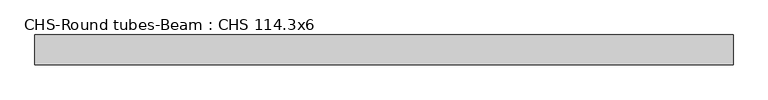
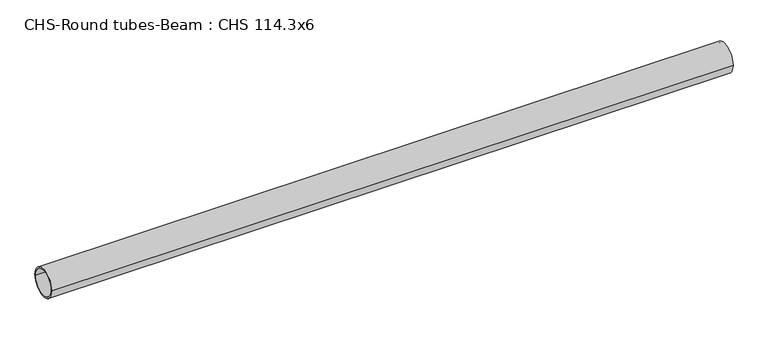
"""IFC4 building model written with IfcOpenShell, lengths in millimetres: beam geometry, CHS-Round tubes-Beam : CHS 114.3x6."""

import ifcopenshell
import ifcopenshell.guid

model = None  # the IFC model being written
_history = None  # IfcOwnerHistory: only IFC2X3 demands one
_inside = {}  # id of a spatial element -> (the spatial element, [elements in it])
_under = {}  # id of a project, library or spatial element -> (it, [spatial elements below it])
_declared = {}  # id of a project -> (the project, [libraries it declares])
_typed = {}  # id of a type object -> (the type object, [elements of that type])
_made_of = {}  # id of a material, layer set ... -> (it, [elements and type objects made of it])


def new_model(schema):
    """Start an empty IFC model of exactly this schema.

    Asked for "IFC4X3", IfcOpenShell would pick the latest addendum, in which some entities
    have other attributes; the version numbers below select the first issue.
    IFC2X3 requires an IfcOwnerHistory on every rooted entity: one is made here for all.
    """
    global model, _history
    if schema == "IFC4X3":
        model = ifcopenshell.file(schema_version=(4, 3, 0, 0))
    else:
        model = ifcopenshell.file(schema=schema)
    _inside.clear()
    _under.clear()
    _declared.clear()
    _typed.clear()
    _made_of.clear()
    _history = None
    if model.schema == "IFC2X3":
        org = make("IfcOrganization", Name="unknown")
        user = make(
            "IfcPersonAndOrganization",
            ThePerson=make("IfcPerson", FamilyName="unknown"),
            TheOrganization=org,
        )
        app = make(
            "IfcApplication",
            ApplicationDeveloper=org,
            Version="unknown",
            ApplicationFullName="unknown",
            ApplicationIdentifier="unknown",
        )
        _history = make(
            "IfcOwnerHistory",
            OwningUser=user,
            OwningApplication=app,
            ChangeAction="ADDED",
            CreationDate=0,
        )
    return model


def make(cls, **values):
    """One entity of the class cls with the attributes given. An attribute that is None is left unset."""
    return model.create_entity(
        cls, **{name: value for name, value in values.items() if value is not None}
    )


def rooted(cls, **values):
    """An entity with a GlobalId (a new one), such as an element, a storey or a relation."""
    return make(cls, GlobalId=ifcopenshell.guid.new(), OwnerHistory=_history, **values)


def si_unit(unit_type, name, prefix=None):
    """IfcSIUnit, for example si_unit("LENGTHUNIT", "METRE", prefix="MILLI")."""
    return make("IfcSIUnit", UnitType=unit_type, Prefix=prefix, Name=name)


def assignment(units):
    """IfcUnitAssignment: the units of a project."""
    return None if units is None else make("IfcUnitAssignment", Units=units)


def point(xyz):
    """IfcCartesianPoint."""
    return None if xyz is None else make("IfcCartesianPoint", Coordinates=xyz)


def direction(xyz):
    """IfcDirection."""
    return None if xyz is None else make("IfcDirection", DirectionRatios=xyz)


def frame(location, z_axis=None, x_axis=None):
    """IfcAxis2Placement3D, a coordinate frame: its origin and axes. An axis left out is left unset."""
    return make(
        "IfcAxis2Placement3D",
        Location=point(location),
        Axis=direction(z_axis),
        RefDirection=direction(x_axis),
    )


def frame_2d(location, x_axis=None):
    """IfcAxis2Placement2D, a coordinate frame in the plane: its origin and x axis."""
    return make(
        "IfcAxis2Placement2D", Location=point(location), RefDirection=direction(x_axis)
    )


def origin():
    """The frame at (0, 0, 0) with its axes left unset."""
    return frame((0.0, 0.0, 0.0))


def origin_2d():
    """The frame at (0, 0) in the plane with its x axis left unset."""
    return frame_2d((0.0, 0.0))


def place(relative_to, where):
    """IfcLocalPlacement: puts the frame where relative to a parent placement (None: the world)."""
    return make(
        "IfcLocalPlacement", PlacementRelTo=relative_to, RelativePlacement=where
    )


def context(
    kind, dimensions, precision=None, world=None, true_north=None, identifier=None
):
    """IfcGeometricRepresentationContext, for example the 3D "Model" context."""
    return make(
        "IfcGeometricRepresentationContext",
        ContextIdentifier=identifier,
        ContextType=kind,
        CoordinateSpaceDimension=dimensions,
        Precision=precision,
        WorldCoordinateSystem=world,
        TrueNorth=true_north,
    )


def project(units=None, contexts=None):
    """IfcProject with its units and contexts."""
    return rooted(
        "IfcProject",
        Name="project",
        RepresentationContexts=contexts,
        UnitsInContext=assignment(units),
    )


def spatial(cls, under=None, at=None, **own):
    """A site, building, storey or space (cls), placed at a placement, below another one or the project."""
    s = rooted(cls, ObjectPlacement=at, **own)
    if under is not None:
        _under.setdefault(under.id(), (under, []))[1].append(s)
    return s


def circle_curve(where, radius):
    """IfcCircle in the frame where."""
    return make("IfcCircle", Position=where, Radius=radius)


def trimmed(basis, trim1, trim2, sense, master):
    """IfcTrimmedCurve: the piece of a basis curve between two trims."""
    return make(
        "IfcTrimmedCurve",
        BasisCurve=basis,
        Trim1=trim1,
        Trim2=trim2,
        SenseAgreement=sense,
        MasterRepresentation=master,
    )


def segment(curve, same_sense, transition):
    """IfcCompositeCurveSegment."""
    return make(
        "IfcCompositeCurveSegment",
        Transition=transition,
        SameSense=same_sense,
        ParentCurve=curve,
    )


def composite_curve(segments, self_intersect=None):
    """IfcCompositeCurve: segments joined end to end."""
    return make("IfcCompositeCurve", Segments=segments, SelfIntersect=self_intersect)


def outline(outer, holes=None, kind="AREA"):
    """IfcArbitraryClosedProfileDef: a profile drawn as a closed curve; with holes, ...WithVoids."""
    if holes is None:
        return make("IfcArbitraryClosedProfileDef", ProfileType=kind, OuterCurve=outer)
    return make(
        "IfcArbitraryProfileDefWithVoids",
        ProfileType=kind,
        OuterCurve=outer,
        InnerCurves=holes,
    )


def extrude(swept, where, along, depth):
    """IfcExtrudedAreaSolid: the profile swept, set in the frame where, extruded along a direction by depth."""
    return make(
        "IfcExtrudedAreaSolid",
        SweptArea=swept,
        Position=where,
        ExtrudedDirection=direction(along),
        Depth=depth,
    )


def shape(context_of_items, identifier, shape_type, items):
    """IfcShapeRepresentation: the items that make up one representation, for example the "Body"."""
    return make(
        "IfcShapeRepresentation",
        ContextOfItems=context_of_items,
        RepresentationIdentifier=identifier,
        RepresentationType=shape_type,
        Items=items,
    )


def source(mapping_origin, context_of_items, identifier, shape_type, items):
    """IfcRepresentationMap: a shape defined once, which mapped items show again and again."""
    return make(
        "IfcRepresentationMap",
        MappingOrigin=mapping_origin,
        MappedRepresentation=shape(context_of_items, identifier, shape_type, items),
    )


def transform(
    local_origin,
    x_axis=None,
    y_axis=None,
    z_axis=None,
    scale=None,
    scale2=None,
    scale3=None,
    uniform=True,
):
    """IfcCartesianTransformationOperator3D, or its non-uniform kind. x_axis, y_axis, z_axis: its Axis1, 2, 3."""
    if uniform:
        return make(
            "IfcCartesianTransformationOperator3D",
            Axis1=direction(x_axis),
            Axis2=direction(y_axis),
            LocalOrigin=point(local_origin),
            Scale=scale,
            Axis3=direction(z_axis),
        )
    return make(
        "IfcCartesianTransformationOperator3DnonUniform",
        Axis1=direction(x_axis),
        Axis2=direction(y_axis),
        LocalOrigin=point(local_origin),
        Scale=scale,
        Axis3=direction(z_axis),
        Scale2=scale2,
        Scale3=scale3,
    )


def mapped(mapping_source, mapping_target):
    """IfcMappedItem: shows the shape of a source again, moved by a transform."""
    return make(
        "IfcMappedItem", MappingSource=mapping_source, MappingTarget=mapping_target
    )


def made_of(thing, what):
    """Note that an element or type object is made of a material, layer set ...; save() writes the relation."""
    if what is not None:
        _made_of.setdefault(what.id(), (what, []))[1].append(thing)
    return thing


def element(
    cls,
    number,
    at=None,
    inside=None,
    cuts=None,
    type_object=None,
    material=None,
    context=None,
    identifier="Body",
    shape_type=None,
    held_by="IfcProductDefinitionShape",
    body=None,
    shapes=None,
    **own,
):
    """One element of the class cls, such as IfcWall. Its Tag is "e" and its number.

    at: its placement. inside: the storey or other place that contains it. cuts: it is an
    opening in that element (IfcRelVoidsElement). A single representation is given by context,
    identifier, shape_type and body (its items); several are given by shapes. held_by: the class
    of the entity that holds the representations. save() writes the other relations.
    """
    e = rooted(cls, Tag="e%d" % number, ObjectPlacement=at, **own)
    if body is not None:
        shapes = [shape(context, identifier, shape_type, body)]
    if shapes is not None:
        e.Representation = make(held_by, Representations=shapes)
    if inside is not None:
        _inside.setdefault(inside.id(), (inside, []))[1].append(e)
    if cuts is not None:
        rooted(
            "IfcRelVoidsElement", RelatingBuildingElement=cuts, RelatedOpeningElement=e
        )
    if type_object is not None:
        _typed.setdefault(type_object.id(), (type_object, []))[1].append(e)
    return made_of(e, material)


def aggregate(whole, parts):
    """IfcRelAggregates: a whole, such as a stair, and the parts it consists of."""
    return rooted("IfcRelAggregates", RelatingObject=whole, RelatedObjects=parts)


def save(model, path):
    """Write the relations noted so far, then the file.

    IfcRelAggregates (storeys below a building ...), IfcRelContainedInSpatialStructure (elements
    in a storey), IfcRelDefinesByType, IfcRelAssociatesMaterial and IfcRelDeclares: one each for
    every whole, place, type object, material and project.
    """
    for whole, parts in _under.values():
        aggregate(whole, parts)
    for where, things in _inside.values():
        rooted(
            "IfcRelContainedInSpatialStructure",
            RelatedElements=things,
            RelatingStructure=where,
        )
    for kind, things in _typed.values():
        rooted("IfcRelDefinesByType", RelatedObjects=things, RelatingType=kind)
    for what, things in _made_of.values():
        rooted("IfcRelAssociatesMaterial", RelatedObjects=things, RelatingMaterial=what)
    for by, libraries in _declared.values():
        rooted("IfcRelDeclares", RelatingContext=by, RelatedDefinitions=libraries)
    model.write(path)


def chs_round_tubes_beam_chs_114_3x6_ac24137c(model_context):
    return source(origin(), model_context, "Body", "SweptSolid", [
        extrude(outline(composite_curve([segment(trimmed(circle_curve(origin_2d(), 57.15), [point((57.15, 0.0))], [point((-57.15, 0.0))], False, "CARTESIAN"), True, "CONTINUOUS"), segment(trimmed(circle_curve(origin_2d(), 57.15), [point((-57.15, 0.0))], [point((57.15, 0.0))], False, "CARTESIAN"), True, "CONTINUOUS")], self_intersect=False), holes=[composite_curve([segment(trimmed(circle_curve(origin_2d(), 51.15), [point((51.15, 0.0))], [point((-51.15, 0.0))], True, "CARTESIAN"), True, "CONTINUOUS"), segment(trimmed(circle_curve(origin_2d(), 51.15), [point((-51.15, 0.0))], [point((51.15, 0.0))], True, "CARTESIAN"), True, "CONTINUOUS")], self_intersect=False)]), frame((-1269.9405073, 0.0, 0.0), z_axis=(1.0, 0.0, 0.0), x_axis=(0.0, 1.0, 0.0)), (0.0, 0.0, 1.0), 2681.0995484),
    ])


if __name__ == "__main__":
    model = new_model("IFC4")
    model_context = context("Model", 3, world=origin())
    ifc_project = project(units=[si_unit("LENGTHUNIT", "METRE", prefix="MILLI")], contexts=[model_context])
    site = spatial("IfcSite", under=ifc_project)
    building = spatial("IfcBuilding", under=site)
    placement = place(None, origin())
    chs_round_tubes_beam_chs_114_3x6_shape = chs_round_tubes_beam_chs_114_3x6_ac24137c(model_context)
    element("IfcBeam", 1, ObjectType="CHS-Round tubes-Beam : CHS 114.3x6", at=placement, inside=building, context=model_context, shape_type="MappedRepresentation", body=[
        mapped(chs_round_tubes_beam_chs_114_3x6_shape, transform((0.0, 0.0, 0.0), x_axis=(1.0, 0.0, 0.0), y_axis=(0.0, 1.0, 0.0), z_axis=(0.0, 0.0, 1.0))),
    ])
    save(model, "model.ifc")
